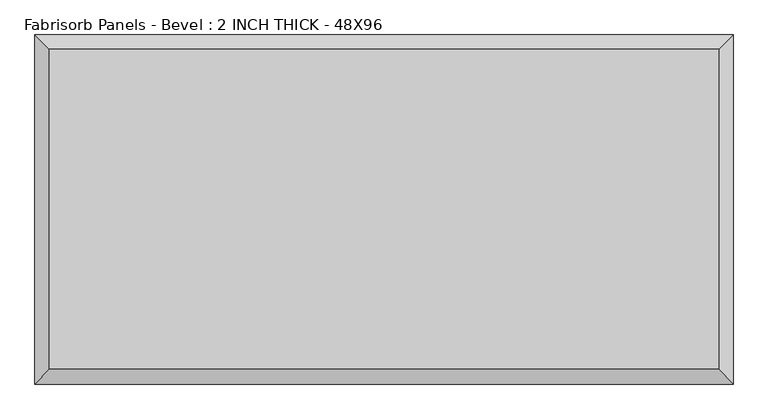
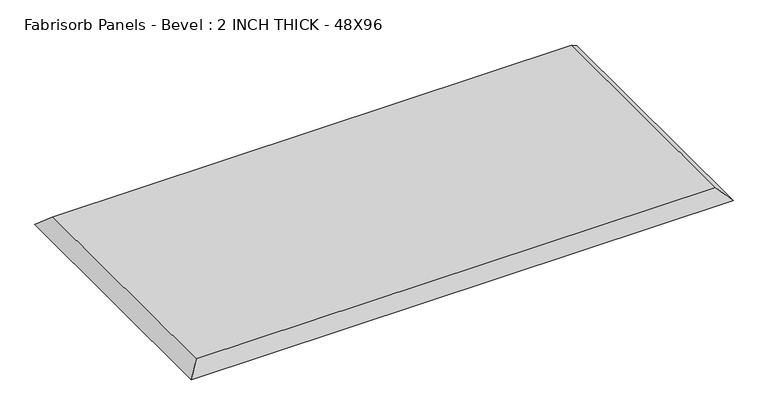
"""IFC4 building model written with IfcOpenShell, lengths in millimetres: proxy geometry, Fabrisorb Panels - Bevel : 2 INCH THICK - 48X96."""

from ifc_helpers import new_model, si_unit, origin, place, context, project, spatial, faceted_brep, source, transform, mapped, element, save


def fabrisorb_panels_bevel_2_inch_thick_48x96_1fc6a5db(model_context):
    return source(origin(), model_context, "Body", "Brep", [
        faceted_brep([(1168.4, 558.8, 50.8), (-1168.4, 558.8, 50.8), (-1168.4, -558.8, 50.8), (1168.4, -558.8, 50.8), (-1219.2, 609.6, 0.0), (1219.2, 609.6, 0.0), (1219.2, -609.6, 0.0), (-1219.2, -609.6, 0.0)], [[[0, 1, 2, 3]], [[4, 5, 6, 7]], [[4, 1, 0, 5]], [[1, 4, 7, 2]], [[2, 7, 6, 3]], [[5, 0, 3, 6]]]),
    ])


if __name__ == "__main__":
    model = new_model("IFC4")
    model_context = context("Model", 3, world=origin())
    ifc_project = project(units=[si_unit("LENGTHUNIT", "METRE", prefix="MILLI")], contexts=[model_context])
    site = spatial("IfcSite", under=ifc_project)
    building = spatial("IfcBuilding", under=site)
    placement = place(None, origin())
    fabrisorb_panels_bevel_2_inch_thick_48x96_shape = fabrisorb_panels_bevel_2_inch_thick_48x96_1fc6a5db(model_context)
    element("IfcBuildingElementProxy", 1, Name="Fabrisorb Panels - Bevel : 2 INCH THICK - 48X96", ObjectType="Fabrisorb Panels - Bevel : 2 INCH THICK - 48X96", at=placement, inside=building, context=model_context, shape_type="MappedRepresentation", body=[
        mapped(fabrisorb_panels_bevel_2_inch_thick_48x96_shape, transform((0.0, 0.0, 0.0), x_axis=(1.0, 0.0, 0.0), y_axis=(0.0, 1.0, 0.0), z_axis=(0.0, 0.0, 1.0))),
    ])
    save(model, "model.ifc")
